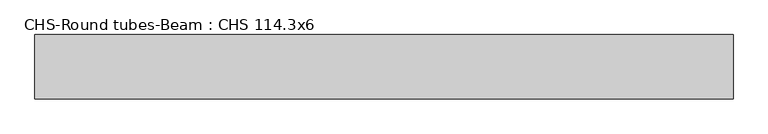
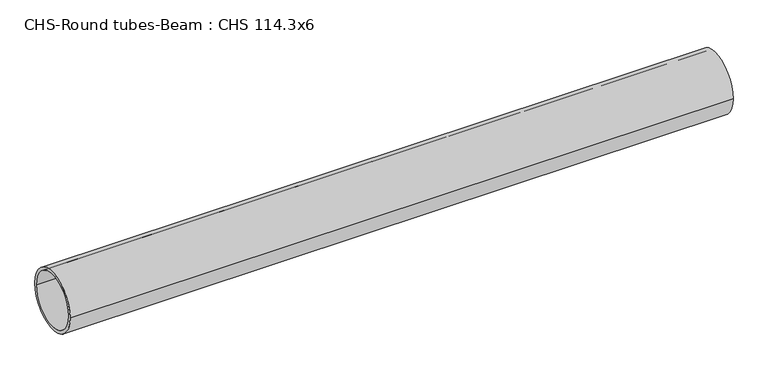
"""IFC4 building model written with IfcOpenShell, lengths in millimetres: beam geometry, CHS-Round tubes-Beam : CHS 114.3x6."""

from ifc_helpers import new_model, si_unit, point, frame, origin, origin_2d, place, context, project, spatial, circle_curve, trimmed, segment, composite_curve, outline, extrude, source, transform, mapped, element, save


def chs_round_tubes_beam_chs_114_3x6_135b1f41(model_context):
    return source(origin(), model_context, "Body", "SweptSolid", [
        extrude(outline(composite_curve([segment(trimmed(circle_curve(origin_2d(), 57.15), [point((57.15, 0.0))], [point((-57.15, 0.0))], False, "CARTESIAN"), True, "CONTINUOUS"), segment(trimmed(circle_curve(origin_2d(), 57.15), [point((-57.15, 0.0))], [point((57.15, 0.0))], False, "CARTESIAN"), True, "CONTINUOUS")], self_intersect=False), holes=[composite_curve([segment(trimmed(circle_curve(origin_2d(), 51.15), [point((51.15, 0.0))], [point((-51.15, 0.0))], True, "CARTESIAN"), True, "CONTINUOUS"), segment(trimmed(circle_curve(origin_2d(), 51.15), [point((-51.15, 0.0))], [point((51.15, 0.0))], True, "CARTESIAN"), True, "CONTINUOUS")], self_intersect=False)]), frame((-620.7965532, 0.0, 0.0), z_axis=(1.0, 0.0, 0.0), x_axis=(0.0, 1.0, 0.0)), (0.0, 0.0, 1.0), 1241.5950376),
    ])


if __name__ == "__main__":
    model = new_model("IFC4")
    model_context = context("Model", 3, world=origin())
    ifc_project = project(units=[si_unit("LENGTHUNIT", "METRE", prefix="MILLI")], contexts=[model_context])
    site = spatial("IfcSite", under=ifc_project)
    building = spatial("IfcBuilding", under=site)
    placement = place(None, origin())
    chs_round_tubes_beam_chs_114_3x6_shape = chs_round_tubes_beam_chs_114_3x6_135b1f41(model_context)
    element("IfcBeam", 1, ObjectType="CHS-Round tubes-Beam : CHS 114.3x6", at=placement, inside=building, context=model_context, shape_type="MappedRepresentation", body=[
        mapped(chs_round_tubes_beam_chs_114_3x6_shape, transform((0.0, 0.0, 0.0), x_axis=(1.0, 0.0, 0.0), y_axis=(0.0, 1.0, 0.0), z_axis=(0.0, 0.0, 1.0))),
    ])
    save(model, "model.ifc")
